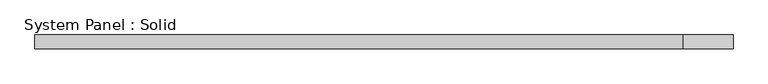
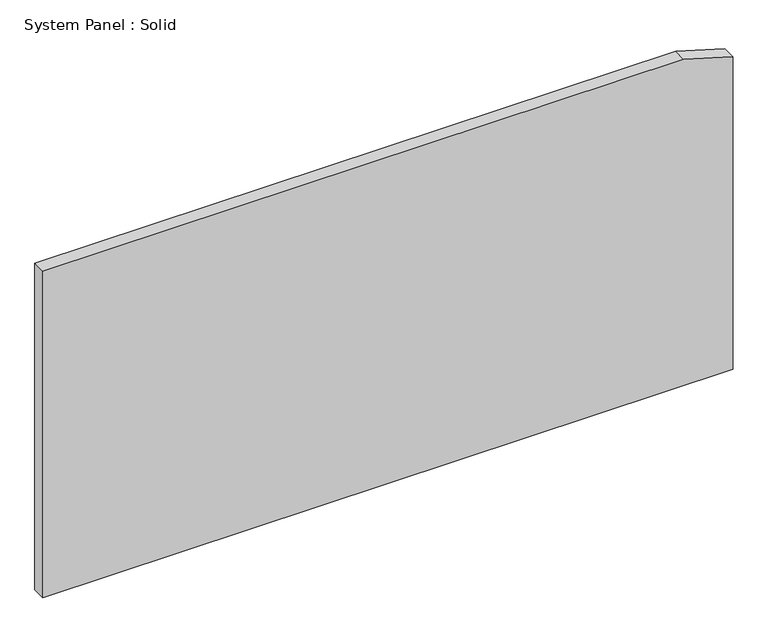
"""IFC4 building model written with IfcOpenShell, lengths in millimetres: plate geometry, System Panel : Solid."""

from ifc_helpers import new_model, si_unit, frame, origin, place, context, project, spatial, polyline, outline, extrude, source, transform, mapped, element, save


def system_panel_solid_44671830(model_context):
    return source(origin(), model_context, "Body", "SweptSolid", [
        extrude(outline(polyline([(0.0, -1500.0), (0.0, 1500.0), (1435.4691931, 1500.0), (1500.0, 1286.6035856), (1500.0, -1500.0), (0.0, -1500.0)])), frame((0.0, -10.5, 0.0), z_axis=(0.0, 1.0, 0.0), x_axis=(0.0, 0.0, 1.0)), (0.0, 0.0, 1.0), 60.0),
    ])


if __name__ == "__main__":
    model = new_model("IFC4")
    model_context = context("Model", 3, world=origin())
    ifc_project = project(units=[si_unit("LENGTHUNIT", "METRE", prefix="MILLI")], contexts=[model_context])
    site = spatial("IfcSite", under=ifc_project)
    building = spatial("IfcBuilding", under=site)
    placement = place(None, origin())
    system_panel_solid_shape = system_panel_solid_44671830(model_context)
    element("IfcPlate", 1, ObjectType="System Panel : Solid", at=placement, inside=building, context=model_context, shape_type="MappedRepresentation", body=[
        mapped(system_panel_solid_shape, transform((0.0, 0.0, 0.0), x_axis=(1.0, 0.0, 0.0), y_axis=(0.0, 1.0, 0.0), z_axis=(0.0, 0.0, 1.0))),
    ])
    save(model, "model.ifc")
